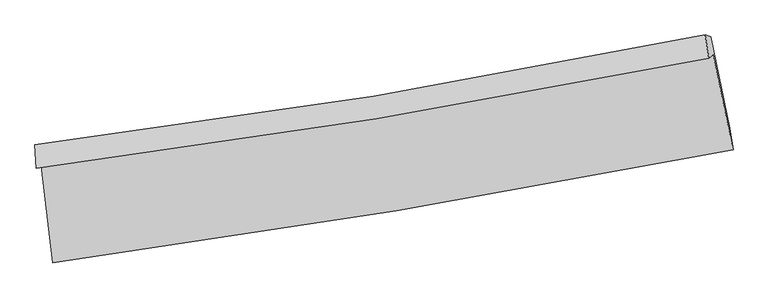
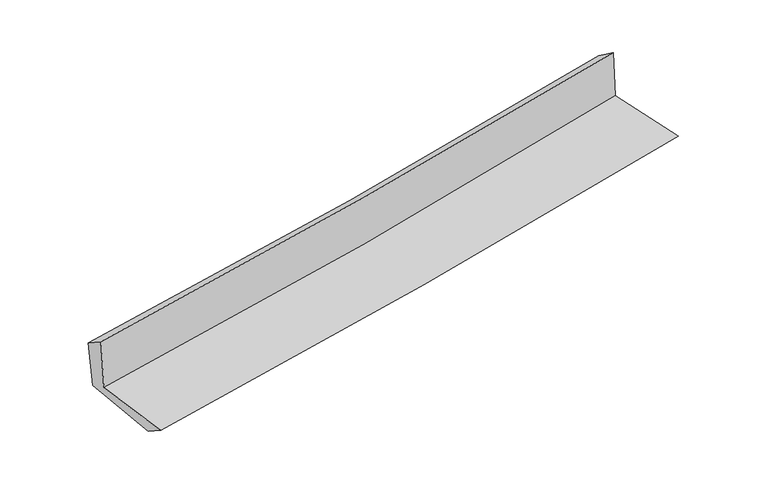
"""IFC4 building model written with IfcOpenShell, lengths in millimetres: proxy geometry."""

from ifc_helpers import new_model, si_unit, frame, origin, place, context, project, spatial, source, transform, mapped, element, save
from ifc_brep_helpers import plane_surface, spline_curve, spline_surface, advanced_brep


def generic_models_7ec154b2(model_context):
    return source(origin(), model_context, "Body", "AdvancedBrep", [
        advanced_brep(
        [(-2351.2431321, -1867.659247, 1654.1654129), (-2271.1462937, -2538.9400108, 1658.9938701), (2422.3165647, -1760.009596, 2100.8563715), (2284.4712555, -1103.3749544, 2102.4844483), (-2385.4222794, -1885.9194635, 2074.2597243), (2253.8754554, -1125.2717083, 2496.3191725), (-2395.8622584, -1722.3926996, 1968.2954111), (2230.4588904, -965.8795476, 2384.2962027), (-2362.2524412, -1729.7389204, 1590.2531478), (2267.1056512, -977.0200073, 2000.2785874), (-2281.7531486, -2379.3802222, 1560.4530572), (2400.7590888, -1608.5815773, 1986.7184249)],
        [
            (0, 1),
            (1, 2, spline_curve(3, [(-2271.1462937, -2538.9400108, 1658.9938701), (-1479.801627394, -2429.830186601, 1731.387308898), (-689.939917424, -2309.7678556, 1804.702982011), (874.501731027, -2049.784862005, 1952.019071431), (1649.12764048, -1910.203721524, 2025.990898444), (2422.3165647, -1760.009596, 2100.8563715)], [4, 2, 4], [0.0, 7.852539331686781, 15.582408223203485])),
            (2, 3),
            (3, 0, spline_curve(3, [(2284.4712555, -1103.3749544, 2102.4844483), (1522.888646196, -1255.0446011, 2022.97213699), (758.848480064, -1394.167941005, 1946.12899319), (-786.311028979, -1649.330743081, 1796.60392496), (-1567.508991958, -1764.968833918, 1724.007390222), (-2351.2431321, -1867.659247, 1654.1654129)], [4, 2, 4], [0.0, 7.729868891516704, 15.582408223203485])),
            (4, 0),
            (3, 5),
            (5, 4, spline_curve(3, [(2253.8754554, -1125.2717083, 2496.3191725), (1491.18309326, -1278.371181481, 2429.860603702), (726.289753228, -1417.916770442, 2361.749693697), (-820.072413103, -1671.899627081, 2221.116071179), (-1601.611651529, -1785.903289767, 2148.540498654), (-2385.4222794, -1885.9194635, 2074.2597243)], [4, 2, 4], [0.0, 7.682923918599068, 15.48777327631161])),
            (6, 4),
            (5, 7),
            (7, 6, spline_curve(3, [(2230.4588904, -965.8795476, 2384.2962027), (1470.927958418, -1122.036643712, 2317.046242081), (708.692200818, -1262.783933186, 2249.033490878), (-833.328318251, -1515.447961637, 2110.390963027), (-1613.199610198, -1626.871722901, 2039.736783573), (-2395.8622584, -1722.3926996, 1968.2954111)], [4, 2, 4], [0.0, 7.672336070266878, 15.466429554026927])),
            (8, 6),
            (7, 9),
            (9, 8, spline_curve(3, [(2267.1056512, -977.0200073, 2000.2785874), (1507.381001154, -1134.340413793, 1932.661322655), (744.798512367, -1275.362709419, 1864.953610662), (-798.229426377, -1526.790409372, 1728.281357568), (-1578.766301537, -1636.674418249, 1659.313923186), (-2362.2524412, -1729.7389204, 1590.2531478)], [4, 2, 4], [0.0, 7.662800816367566, 15.447207724930443])),
            (10, 8),
            (9, 11),
            (11, 10, spline_curve(3, [(2400.7590888, -1608.5815773, 1986.7184249), (1630.077474842, -1759.861999496, 1912.993232465), (857.613330229, -1899.32354408, 1840.875410973), (-703.167057034, -2156.634525664, 1698.735533511), (-1491.540324885, -2274.105862408, 1628.764898863), (-2281.7531486, -2379.3802222, 1560.4530572)], [4, 2, 4], [0.0, 7.709928591489865, 15.542211177241636])),
            (1, 10),
            (11, 2),
        ],
        [
            spline_surface(3, 3, [[(-2351.2431321, -1867.659247, 1654.1654129), (-1567.508992044, -1764.968833906, 1724.00739019), (-786.311028986, -1649.33074305, 1796.603924932), (758.848480071, -1394.167941036, 1946.128993217), (1522.888646217, -1255.044601038, 2022.972136946), (2284.4712555, -1103.3749544, 2102.4844483)], [(-2324.544185975, -2091.419501606, 1655.774898645), (-1538.273203878, -1986.58928477, 1726.467363077), (-754.187325163, -1869.476447225, 1799.303610643), (797.399563745, -1612.706914711, 1948.092352579), (1564.968310988, -1473.430974488, 2023.978390812), (2330.419691889, -1322.253168262, 2101.941756034)], [(-2297.845239825, -2315.179756194, 1657.384384355), (-1509.037415687, -2208.209735615, 1728.927335927), (-722.063621327, -2089.622151383, 1802.003296393), (835.950647431, -1831.24588837, 1950.055711978), (1607.047975793, -1691.817347952, 2024.984644675), (2376.368128311, -1541.131382138, 2101.399063766)], [(-2271.1462937, -2538.9400108, 1658.9938701), (-1479.80162752, -2429.830186478, 1731.387308813), (-689.939917504, -2309.767855558, 1804.702982104), (874.501731105, -2049.784862046, 1952.019071339), (1649.127640564, -1910.203721402, 2025.990898541), (2422.3165647, -1760.009596, 2100.8563715)]], [4, 4], [4, 2, 4], [0.0, 2.1868849278367284], [0.0, 7.852539331686781, 15.582408223203485]),
            spline_surface(3, 3, [[(-2385.4222794, -1885.9194635, 2074.2597243), (-1601.611651454, -1785.903289663, 2148.540498596), (-820.072413131, -1671.899626982, 2221.116071239), (726.289753256, -1417.916770539, 2361.749693638), (1491.183093211, -1278.371181445, 2429.860603703), (2253.8754554, -1125.2717083, 2496.3191725)], [(-2374.029230302, -1879.832724686, 1934.228287153), (-1590.24409832, -1778.925137764, 2007.029462447), (-808.818618402, -1664.376665662, 2079.612022474), (737.142662208, -1410.000494028, 2223.209460168), (1501.751610881, -1270.595654635, 2294.231114756), (2264.074055435, -1117.972790325, 2365.040931072)], [(-2362.636181198, -1873.745985814, 1794.196850047), (-1578.876545179, -1771.946985805, 1865.518426339), (-797.564823715, -1656.85370437, 1938.107973697), (747.995571119, -1402.084217546, 2084.669226687), (1512.320128546, -1262.820127848, 2158.601625893), (2274.272655465, -1110.673872375, 2233.762689728)], [(-2351.2431321, -1867.659247, 1654.1654129), (-1567.508992044, -1764.968833906, 1724.00739019), (-786.311028986, -1649.33074305, 1796.603924932), (758.848480071, -1394.167941036, 1946.128993217), (1522.888646217, -1255.044601038, 2022.972136946), (2284.4712555, -1103.3749544, 2102.4844483)]], [4, 4], [4, 2, 4], [0.0, 1.384771100028511], [0.0, 7.804849357712543, 15.48777327631161]),
            spline_surface(3, 3, [[(-2395.8622584, -1722.3926996, 1968.2954111), (-1613.199610106, -1626.871723031, 2039.736783565), (-833.328318236, -1515.447961693, 2110.390962965), (708.692200803, -1262.783933131, 2249.033490938), (1470.927958518, -1122.036643807, 2317.04624206), (2230.4588904, -965.8795476, 2384.2962027)], [(-2392.382265393, -1776.901620874, 2003.616848841), (-1609.336957215, -1679.882245216, 2076.004688583), (-828.909683204, -1567.598516818, 2147.299332376), (714.558051618, -1314.494878963, 2286.605558491), (1477.679670076, -1174.148156351, 2354.65102929), (2238.26441206, -1019.010267831, 2421.637192649)], [(-2388.902272407, -1831.410542226, 2038.938286559), (-1605.474304345, -1732.892767478, 2112.272593578), (-824.491048163, -1619.749071857, 2184.207701828), (720.423902441, -1366.205824707, 2324.177626085), (1484.431381653, -1226.259668901, 2392.255816473), (2246.06993374, -1072.140988069, 2458.978182551)], [(-2385.4222794, -1885.9194635, 2074.2597243), (-1601.611651454, -1785.903289663, 2148.540498596), (-820.072413131, -1671.899626982, 2221.116071239), (726.289753256, -1417.916770539, 2361.749693638), (1491.183093211, -1278.371181445, 2429.860603703), (2253.8754554, -1125.2717083, 2496.3191725)]], [4, 4], [4, 2, 4], [0.0, 0.6309923349132488], [0.0, 7.794093483760049, 15.466429554026927]),
            spline_surface(3, 3, [[(-2362.2524412, -1729.7389204, 1590.2531478), (-1578.766301431, -1636.674418313, 1659.313923164), (-798.22942626, -1526.790409481, 1728.281357602), (744.798512251, -1275.362709311, 1864.953610629), (1507.381001183, -1134.34041381, 1932.661322701), (2267.1056512, -977.0200073, 2000.2785874)], [(-2373.4557136, -1727.290180147, 1716.267235559), (-1590.244070989, -1633.406853233, 1786.12154329), (-809.929056918, -1523.009593552, 1855.65122605), (732.763075102, -1271.169783918, 1992.980237393), (1495.229986954, -1130.23915717, 2060.789629139), (2254.890064259, -973.306520762, 2128.284459152)], [(-2384.658986, -1724.841439853, 1842.281323341), (-1601.721840547, -1630.139288111, 1912.929163439), (-821.628687577, -1519.228777622, 1983.021094517), (720.727637952, -1266.976858524, 2121.006864175), (1483.078972747, -1126.137900446, 2188.917935622), (2242.674477341, -969.593034138, 2256.290330948)], [(-2395.8622584, -1722.3926996, 1968.2954111), (-1613.199610106, -1626.871723031, 2039.736783565), (-833.328318236, -1515.447961693, 2110.390962965), (708.692200803, -1262.783933131, 2249.033490938), (1470.927958518, -1122.036643807, 2317.04624206), (2230.4588904, -965.8795476, 2384.2962027)]], [4, 4], [4, 2, 4], [0.0, 1.262843813031891], [0.0, 7.784406908562877, 15.447207724930443]),
            spline_surface(3, 3, [[(-2281.7531486, -2379.3802222, 1560.4530572), (-1491.54032477, -2274.105862518, 1628.764898864), (-703.167057, -2156.634525601, 1698.735533445), (857.613330195, -1899.323544142, 1840.875411038), (1630.077474913, -1759.861999436, 1912.993232369), (2400.7590888, -1608.5815773, 1986.7184249)], [(-2308.586246134, -2162.833121612, 1570.38642072), (-1520.615650325, -2061.628714462, 1638.94790695), (-734.854513437, -1946.686486865, 1708.584141505), (820.008390863, -1691.336599169, 1848.901477577), (1589.178650362, -1551.354804228, 1919.549262484), (2356.207942959, -1398.061053968, 1991.238479071)], [(-2335.419343666, -1946.286020988, 1580.31978428), (-1549.690975876, -1849.151566369, 1649.130915078), (-766.541969822, -1736.738448218, 1718.432749541), (782.403451583, -1483.349654285, 1856.927544091), (1548.279825734, -1342.847609017, 1926.105292586), (2311.656797041, -1187.540530632, 1995.758533229)], [(-2362.2524412, -1729.7389204, 1590.2531478), (-1578.766301431, -1636.674418313, 1659.313923164), (-798.22942626, -1526.790409481, 1728.281357602), (744.798512251, -1275.362709311, 1864.953610629), (1507.381001183, -1134.34041381, 1932.661322701), (2267.1056512, -977.0200073, 2000.2785874)]], [4, 4], [4, 2, 4], [0.0, 2.0867825039120604], [0.0, 7.832282585751772, 15.542211177241636]),
            spline_surface(3, 3, [[(-2271.1462937, -2538.9400108, 1658.9938701), (-1479.80162752, -2429.830186478, 1731.387308813), (-689.939917504, -2309.767855558, 1804.702982104), (874.501731105, -2049.784862046, 1952.019071339), (1649.127640564, -1910.203721402, 2025.990898541), (2422.3165647, -1760.009596, 2100.8563715)], [(-2274.681911996, -2485.753414573, 1626.146932482), (-1483.714526599, -2377.922078465, 1697.179838845), (-694.348963992, -2258.723412243, 1769.380499238), (868.872264146, -1999.631089416, 1914.971184593), (1642.777585345, -1860.089814065, 1988.32500984), (2415.130739398, -1709.533589752, 2062.810389322)], [(-2278.217530304, -2432.566818427, 1593.299994818), (-1487.627425691, -2326.013970531, 1662.972368831), (-698.758010512, -2207.678968916, 1734.058016311), (863.242797154, -1949.477316773, 1877.923297785), (1636.427530132, -1809.975906772, 1950.659121071), (2407.944914102, -1659.057583548, 2024.764407078)], [(-2281.7531486, -2379.3802222, 1560.4530572), (-1491.54032477, -2274.105862518, 1628.764898864), (-703.167057, -2156.634525601, 1698.735533445), (857.613330195, -1899.323544142, 1840.875411038), (1630.077474913, -1759.861999436, 1912.993232369), (2400.7590888, -1608.5815773, 1986.7184249)]], [4, 4], [4, 2, 4], [0.0, 0.6142288549305991], [0.0, 7.889647107202527, 15.65604408568278]),
            plane_surface(frame((2309.831151, -1256.6895651, 2178.4922012), z_axis=(0.9749909123532361, 0.20446088360900758, 0.08711181264574973), x_axis=(-0.09495871771764913, 0.02886704680293311, 0.9950625787046246))),
            plane_surface(frame((-2341.2799256, -2020.6717606, 1751.0701039), z_axis=(-0.9892357295361964, -0.11865106024696889, -0.08564226358089533), x_axis=(-0.11847598899838754, 0.9929312317787918, -0.007142057764066754))),
        ],
        [
            (0, [[1, 2, 3, 4]]),
            (1, [[5, -4, 6, 7]]),
            (2, [[8, -7, 9, 10]]),
            (3, [[11, -10, 12, 13]]),
            (4, [[14, -13, 15, 16]]),
            (5, [[17, -16, 18, -2]]),
            (6, [[-12, -9, -6, -3, -18, -15]]),
            (7, [[-1, -5, -8, -11, -14, -17]]),
        ],
    ),
    ])


if __name__ == "__main__":
    model = new_model("IFC4")
    model_context = context("Model", 3, world=origin())
    ifc_project = project(units=[si_unit("LENGTHUNIT", "METRE", prefix="MILLI")], contexts=[model_context])
    site = spatial("IfcSite", under=ifc_project)
    building = spatial("IfcBuilding", under=site)
    placement = place(None, origin())
    generic_models_shape = generic_models_7ec154b2(model_context)
    element("IfcBuildingElementProxy", 1, Name="Generic Models", at=placement, inside=building, context=model_context, shape_type="MappedRepresentation", body=[
        mapped(generic_models_shape, transform((0.0, 0.0, 0.0), x_axis=(1.0, 0.0, 0.0), y_axis=(0.0, 1.0, 0.0), z_axis=(0.0, 0.0, 1.0))),
    ])
    save(model, "model.ifc")
